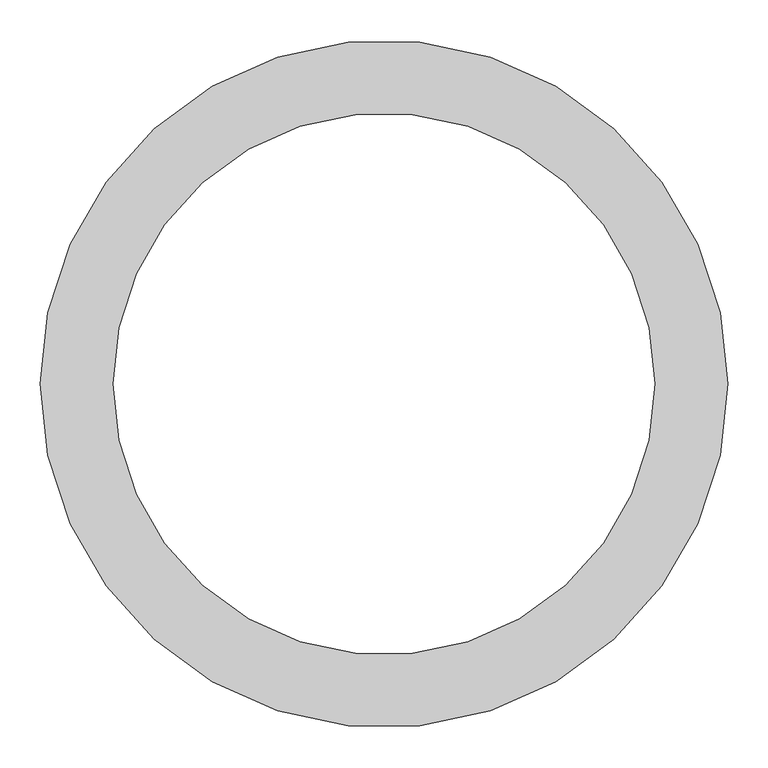
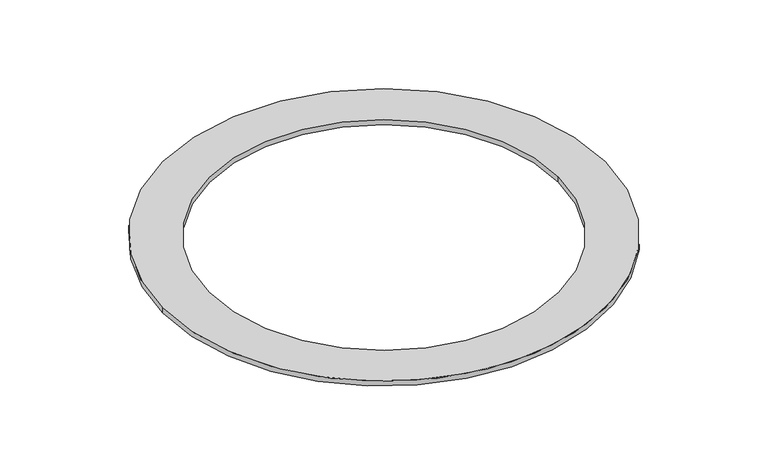
"""IFC4 building model written with IfcOpenShell, lengths in millimetres: furniture geometry."""

from ifc_helpers import new_model, si_unit, point, origin, origin_with_axes, origin_2d, place, context, project, spatial, circle_curve, trimmed, segment, composite_curve, outline, extrude, source, transform, mapped, element, save


def furniture_9b5cb1be(model_context):
    return source(origin(), model_context, "Body", "SweptSolid", [
        extrude(outline(composite_curve([segment(trimmed(circle_curve(origin_2d(), 425.1451043), [point((-425.1451043, 0.0))], [point((425.1451043, 0.0))], False, "CARTESIAN"), True, "CONTINUOUS"), segment(trimmed(circle_curve(origin_2d(), 425.1451043), [point((425.1451043, 0.0))], [point((-425.1451043, 0.0))], False, "CARTESIAN"), True, "CONTINUOUS")], self_intersect=False), holes=[composite_curve([segment(trimmed(circle_curve(origin_2d(), 335.1451043), [point((335.1451043, 0.0))], [point((-335.1451043, 0.0))], True, "CARTESIAN"), True, "CONTINUOUS"), segment(trimmed(circle_curve(origin_2d(), 335.1451043), [point((-335.1451043, 0.0))], [point((335.1451043, 0.0))], True, "CARTESIAN"), True, "CONTINUOUS")], self_intersect=False)]), origin_with_axes(), (0.0, 0.0, 1.0), 10.0),
    ])


if __name__ == "__main__":
    model = new_model("IFC4")
    model_context = context("Model", 3, world=origin())
    ifc_project = project(units=[si_unit("LENGTHUNIT", "METRE", prefix="MILLI")], contexts=[model_context])
    site = spatial("IfcSite", under=ifc_project)
    building = spatial("IfcBuilding", under=site)
    placement = place(None, origin())
    furniture_shape = furniture_9b5cb1be(model_context)
    element("IfcFurniture", 1, at=placement, inside=building, context=model_context, shape_type="MappedRepresentation", body=[
        mapped(furniture_shape, transform((0.0, 0.0, 0.0), x_axis=(1.0, 0.0, 0.0), y_axis=(0.0, 1.0, 0.0), z_axis=(0.0, 0.0, 1.0))),
    ])
    save(model, "model.ifc")
